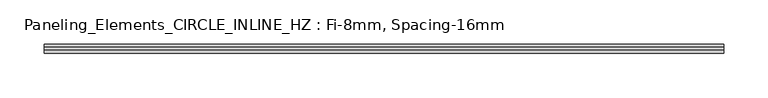
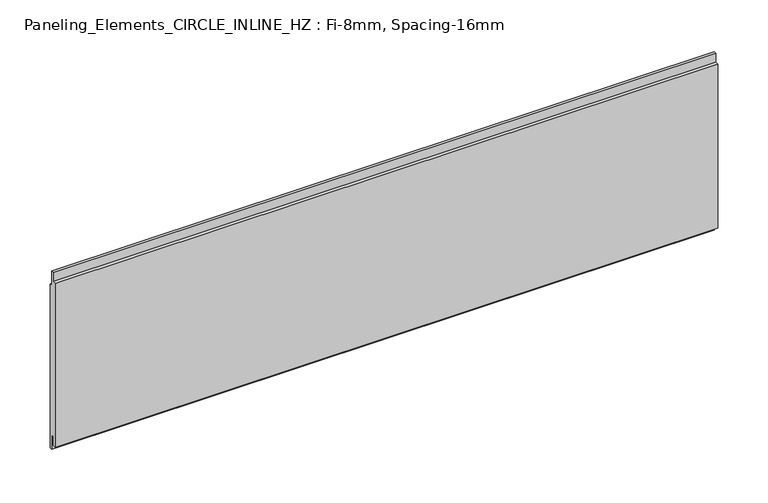
"""IFC4 building model written with IfcOpenShell, lengths in millimetres: plate geometry, Paneling_Elements_CIRCLE_INLINE_HZ : Fi-8mm, Spacing-16mm."""

from ifc_helpers import new_model, si_unit, frame, origin, place, context, project, spatial, polyline, outline, extrude, source, transform, mapped, element, save


def paneling_elements_circle_inline_hz_fi_8mm_spacing_16mm_e4c6b78a(model_context):
    return source(origin(), model_context, "Body", "SweptSolid", [
        extrude(outline(polyline([(-1.0, 211.0), (2.0, 211.0), (2.0, 193.0), (5.0, 193.0), (5.0, -7.0), (2.0, -7.0), (2.0, 11.0), (-1.0, 11.0), (-1.0, 0.0), (-5.0, 0.0), (-5.0, 200.0), (-1.0, 200.0), (-1.0, 211.0)])), frame((-382.25, 0.0, 0.0), z_axis=(1.0, 0.0, 0.0), x_axis=(0.0, 1.0, 0.0)), (0.0, 0.0, 1.0), 764.5),
    ])


if __name__ == "__main__":
    model = new_model("IFC4")
    model_context = context("Model", 3, world=origin())
    ifc_project = project(units=[si_unit("LENGTHUNIT", "METRE", prefix="MILLI")], contexts=[model_context])
    site = spatial("IfcSite", under=ifc_project)
    building = spatial("IfcBuilding", under=site)
    placement = place(None, origin())
    paneling_elements_circle_inline_hz_fi_8mm_spacing_16mm_shape = paneling_elements_circle_inline_hz_fi_8mm_spacing_16mm_e4c6b78a(model_context)
    element("IfcPlate", 1, ObjectType="Paneling_Elements_CIRCLE_INLINE_HZ : Fi-8mm, Spacing-16mm", at=placement, inside=building, context=model_context, shape_type="MappedRepresentation", body=[
        mapped(paneling_elements_circle_inline_hz_fi_8mm_spacing_16mm_shape, transform((0.0, 0.0, 0.0), x_axis=(1.0, 0.0, 0.0), y_axis=(0.0, 1.0, 0.0), z_axis=(0.0, 0.0, 1.0))),
    ])
    save(model, "model.ifc")
